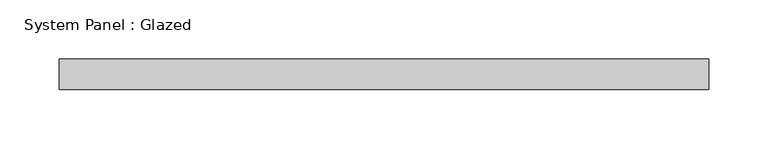
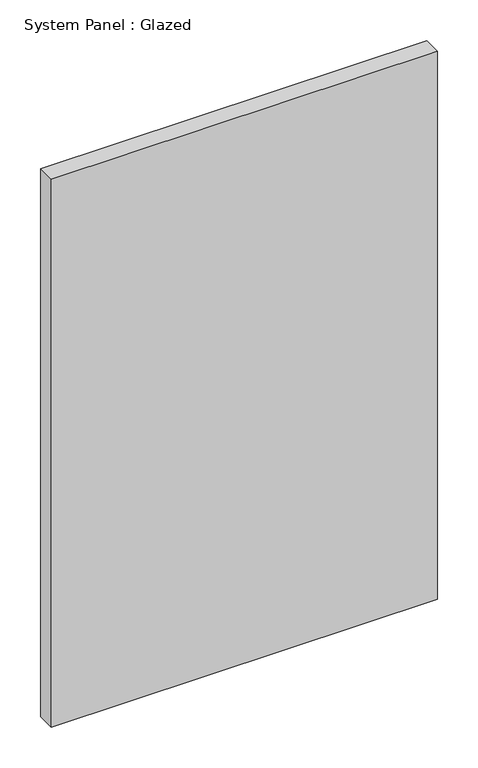
"""IFC4 building model written with IfcOpenShell, lengths in millimetres: plate geometry, System Panel : Glazed."""

from ifc_helpers import new_model, si_unit, origin, origin_with_axes, place, context, project, spatial, polyline, outline, extrude, source, transform, mapped, element, save


def system_panel_glazed_03953ab7(model_context):
    return source(origin(), model_context, "Body", "SweptSolid", [
        extrude(outline(polyline([(273.05, 19.05), (-273.05, 19.05), (-273.05, 44.45), (273.05, 44.45), (273.05, 19.05)])), origin_with_axes(), (0.0, 0.0, 1.0), 819.15),
    ])


if __name__ == "__main__":
    model = new_model("IFC4")
    model_context = context("Model", 3, world=origin())
    ifc_project = project(units=[si_unit("LENGTHUNIT", "METRE", prefix="MILLI")], contexts=[model_context])
    site = spatial("IfcSite", under=ifc_project)
    building = spatial("IfcBuilding", under=site)
    placement = place(None, origin())
    system_panel_glazed_shape = system_panel_glazed_03953ab7(model_context)
    element("IfcPlate", 1, ObjectType="System Panel : Glazed", at=placement, inside=building, context=model_context, shape_type="MappedRepresentation", body=[
        mapped(system_panel_glazed_shape, transform((0.0, 0.0, 0.0), x_axis=(1.0, 0.0, 0.0), y_axis=(0.0, 1.0, 0.0), z_axis=(0.0, 0.0, 1.0))),
    ])
    save(model, "model.ifc")
